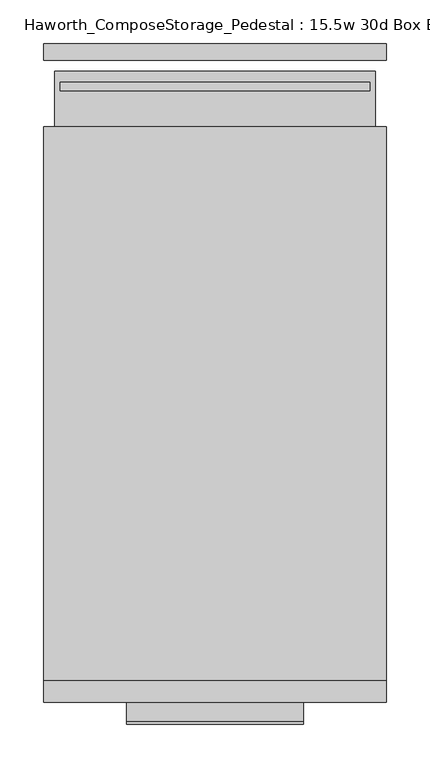
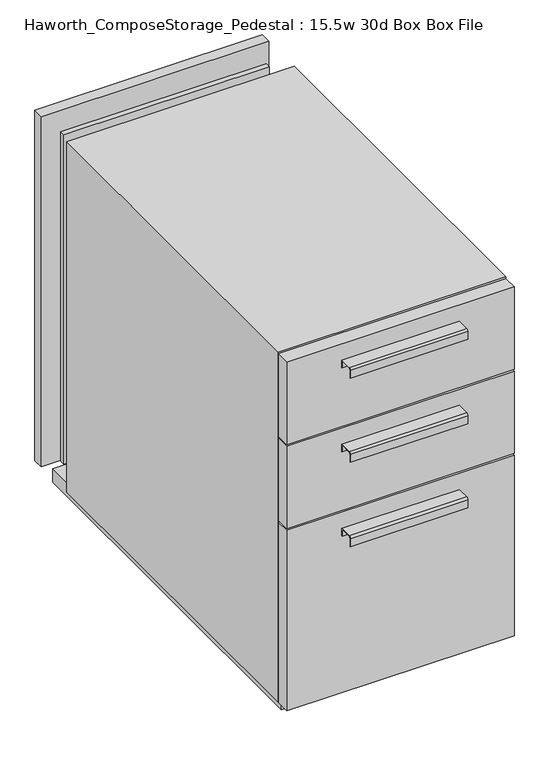
"""IFC4 building model written with IfcOpenShell, lengths in millimetres: furniture geometry, Haworth_ComposeStorage_Pedestal : 15.5w 30d Box Box File."""

from ifc_helpers import new_model, si_unit, point, frame, frame_2d, origin, origin_with_axes, place, context, project, spatial, polyline, circle_curve, trimmed, segment, composite_curve, outline, extrude, source, transform, mapped, element, save


def haworth_composestorage_pedestal_15_5w_30d_box_box_file_cc58da7e(model_context):
    return source(origin(), model_context, "Body", "SweptSolid", [
        extrude(outline(composite_curve([segment(polyline([(-352.4250242, 633.9919215), (-330.2, 633.9919215), (-330.2, 620.5299525), (-330.9937742, 620.5299525), (-330.9937742, 633.1982199), (-352.4250242, 633.1982199)]), True, "CONTINUOUS"), segment(trimmed(circle_curve(frame_2d((-352.4250242, 630.8142808)), 2.3839392), [point((-352.4250242, 633.1982199))], [point((-354.8089634, 630.8142808))], True, "CARTESIAN"), True, "CONTINUOUS"), segment(polyline([(-354.8089634, 630.8142808), (-354.8089634, 616.2119021), (-355.5999758, 616.2119021), (-355.5999758, 630.8169699)]), True, "CONTINUOUS"), segment(trimmed(circle_curve(frame_2d((-352.4250242, 630.8169699)), 3.1749516), [point((-355.5999758, 630.8169699))], [point((-352.4250242, 633.9919215))], False, "CARTESIAN"), True, "CONTINUOUS")], self_intersect=False)), frame((-101.5861094, 0.0, 0.0), z_axis=(1.0, 0.0, 0.0), x_axis=(0.0, 1.0, 0.0)), (0.0, 0.0, 1.0), 203.2),
        extrude(outline(polyline([(196.8638906, -304.8), (196.8638906, -330.2), (-196.8361094, -330.2), (-196.8361094, -304.8), (196.8638906, -304.8)])), frame((0.0, 0.0, 512.7625), z_axis=(0.0, 0.0, 1.0), x_axis=(1.0, 0.0, 0.0)), (0.0, 0.0, 1.0), 150.8125),
        extrude(outline(composite_curve([segment(polyline([(-352.4250242, 480.0044215), (-330.2, 480.0044215), (-330.2, 466.5424525), (-330.9937742, 466.5424525), (-330.9937742, 479.2107199), (-352.4250242, 479.2107199)]), True, "CONTINUOUS"), segment(trimmed(circle_curve(frame_2d((-352.4250242, 476.8267808)), 2.3839392), [point((-352.4250242, 479.2107199))], [point((-354.8089634, 476.8267808))], True, "CARTESIAN"), True, "CONTINUOUS"), segment(polyline([(-354.8089634, 476.8267808), (-354.8089634, 462.2244021), (-355.5999758, 462.2244021), (-355.5999758, 476.8294699)]), True, "CONTINUOUS"), segment(trimmed(circle_curve(frame_2d((-352.4250242, 476.8294699)), 3.1749516), [point((-355.5999758, 476.8294699))], [point((-352.4250242, 480.0044215))], False, "CARTESIAN"), True, "CONTINUOUS")], self_intersect=False)), frame((-101.5861094, 0.0, 0.0), z_axis=(1.0, 0.0, 0.0), x_axis=(0.0, 1.0, 0.0)), (0.0, 0.0, 1.0), 203.2),
        extrude(outline(polyline([(196.8638906, -304.8), (196.8638906, -330.2), (-196.8361094, -330.2), (-196.8361094, -304.8), (196.8638906, -304.8)])), frame((0.0, 0.0, 358.775), z_axis=(0.0, 0.0, 1.0), x_axis=(1.0, 0.0, 0.0)), (0.0, 0.0, 1.0), 150.8125),
        extrude(outline(composite_curve([segment(polyline([(-352.4250242, 326.0169215), (-330.2, 326.0169215), (-330.2, 312.5549525), (-330.9937742, 312.5549525), (-330.9937742, 325.2232199), (-352.4250242, 325.2232199)]), True, "CONTINUOUS"), segment(trimmed(circle_curve(frame_2d((-352.4250242, 322.8392808)), 2.3839392), [point((-352.4250242, 325.2232199))], [point((-354.8089634, 322.8392808))], True, "CARTESIAN"), True, "CONTINUOUS"), segment(polyline([(-354.8089634, 322.8392808), (-354.8089634, 308.2369021), (-355.5999758, 308.2369021), (-355.5999758, 322.8419699)]), True, "CONTINUOUS"), segment(trimmed(circle_curve(frame_2d((-352.4250242, 322.8419699)), 3.1749516), [point((-355.5999758, 322.8419699))], [point((-352.4250242, 326.0169215))], False, "CARTESIAN"), True, "CONTINUOUS")], self_intersect=False)), frame((-101.5861094, 0.0, 0.0), z_axis=(1.0, 0.0, 0.0), x_axis=(0.0, 1.0, 0.0)), (0.0, 0.0, 1.0), 203.2),
        extrude(outline(polyline([(196.8638906, -304.8), (196.8638906, -330.2), (-196.8361094, -330.2), (-196.8361094, -304.8), (196.8638906, -304.8)])), frame((0.0, 0.0, 25.4), z_axis=(0.0, 0.0, 1.0), x_axis=(1.0, 0.0, 0.0)), (0.0, 0.0, 1.0), 330.2),
        extrude(outline(polyline([(196.8638906, 406.4), (-196.8361094, 406.4), (-196.8361094, 425.45), (196.8638906, 425.45), (196.8638906, 406.4)])), frame((0.0, 0.0, 25.4), z_axis=(0.0, 0.0, 1.0), x_axis=(1.0, 0.0, 0.0)), (0.0, 0.0, 1.0), 641.35),
        extrude(outline(polyline([(25.4, -196.8361094), (25.4, 196.8638906), (666.75, 196.8638906), (666.75, -196.8361094), (25.4, -196.8361094)]), holes=[polyline([(44.45, -177.7861094), (647.7, -177.7861094), (647.7, 177.8069453), (44.45, 177.8069453), (44.45, -177.7861094)])]), frame((0.0, -304.8, 0.0), z_axis=(0.0, 1.0, 0.0), x_axis=(0.0, 0.0, 1.0)), (0.0, 0.0, 1.0), 635.0),
        extrude(outline(polyline([(-177.7791641, 371.475), (-177.7791641, 381.0), (177.8069453, 381.0), (177.8069453, 371.475), (-177.7791641, 371.475)])), frame((0.0, 0.0, 44.45), z_axis=(0.0, 0.0, 1.0), x_axis=(1.0, 0.0, 0.0)), (0.0, 0.0, 1.0), 603.25),
        extrude(outline(polyline([(184.1638906, -292.1), (-184.1361094, -292.1), (-184.1361094, 393.7), (184.1638906, 393.7), (184.1638906, -292.1)])), origin_with_axes(), (0.0, 0.0, 1.0), 25.4),
    ])


if __name__ == "__main__":
    model = new_model("IFC4")
    model_context = context("Model", 3, world=origin())
    ifc_project = project(units=[si_unit("LENGTHUNIT", "METRE", prefix="MILLI")], contexts=[model_context])
    site = spatial("IfcSite", under=ifc_project)
    building = spatial("IfcBuilding", under=site)
    placement = place(None, origin())
    haworth_composestorage_pedestal_15_5w_30d_box_box_file_shape = haworth_composestorage_pedestal_15_5w_30d_box_box_file_cc58da7e(model_context)
    element("IfcFurniture", 1, ObjectType="Haworth_ComposeStorage_Pedestal : 15.5w 30d Box Box File", at=placement, inside=building, context=model_context, shape_type="MappedRepresentation", body=[
        mapped(haworth_composestorage_pedestal_15_5w_30d_box_box_file_shape, transform((0.0, 0.0, 0.0), x_axis=(1.0, 0.0, 0.0), y_axis=(0.0, 1.0, 0.0), z_axis=(0.0, 0.0, 1.0))),
    ])
    save(model, "model.ifc")
